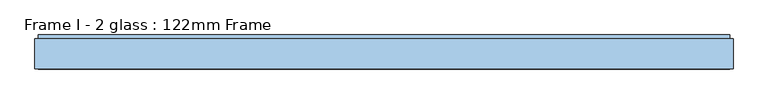
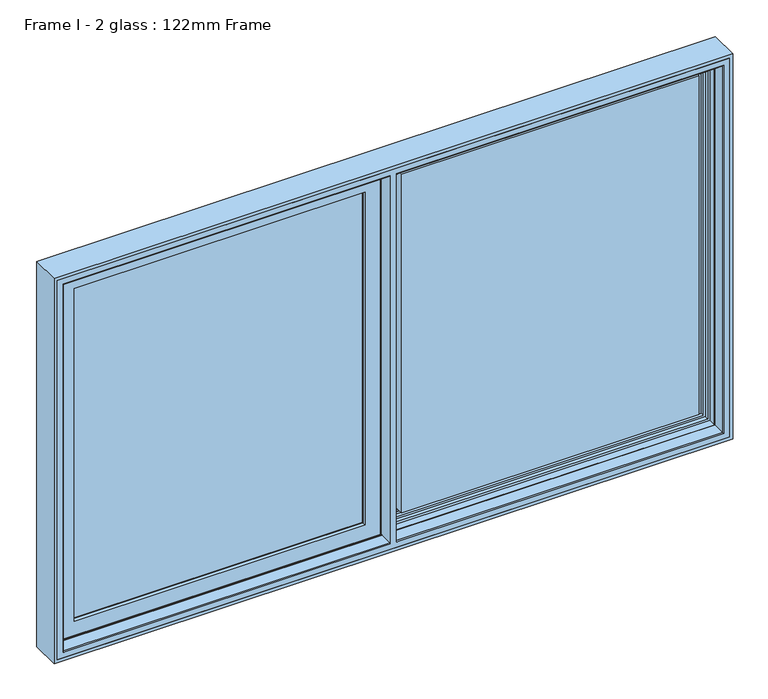
"""IFC4 building model written with IfcOpenShell, lengths in millimetres: window geometry, Frame I - 2 glass : 122mm Frame."""

from ifc_helpers import new_model, si_unit, frame, origin, place, context, project, spatial, polyline, circle_curve, ellipse_curve, outline, extrude, source, transform, mapped, element, save
from ifc_brep_helpers import plane_surface, cylinder_surface, revolved_surface, advanced_brep


def frame_i_2_glass_122mm_frame_8e504b90(model_context):
    return source(origin(), model_context, "Body", "SolidModel", [
        extrude(outline(polyline([(-1160.0, 141.0), (-65.6, 141.0), (-65.6, 93.0), (-1160.0, 93.0), (-1160.0, 141.0)])), frame((0.0, 0.0, 890.0), z_axis=(0.0, 0.0, 1.0), x_axis=(1.0, 0.0, 0.0)), (0.0, 0.0, 1.0), 1320.0),
        advanced_brep(
        [(-43.2001533, 153.0, 2232.3998467), (-43.2001533, 148.4070391, 2232.3998467), (-43.2001533, 148.4070391, 867.6001533), (-43.2001533, 153.0, 867.6001533), (-37.9260611, 139.5531262, 2237.6739389), (-37.9260611, 139.5531262, 862.3260611), (-1182.3998467, 148.4070391, 867.6001533), (-1182.3998467, 153.0, 867.6001533), (-1182.3998467, 153.0, 2232.3998467), (-62.6368924, 153.0, 2212.9631076), (-1162.9631076, 153.0, 2212.9631076), (-1162.9631076, 153.0, 887.0368924), (-62.6368924, 153.0, 887.0368924), (-36.0866045, 139.5531262, 860.4866045), (-1189.5133955, 139.5531262, 860.4866045), (-1189.5133955, 139.5531262, 2239.5133955), (-36.0866045, 139.5531262, 2239.5133955), (-1187.6739389, 139.5531262, 2237.6739389), (-1187.6739389, 139.5531262, 862.3260611), (-36.0866045, 121.0, 2239.5133955), (-36.0866045, 121.0, 860.4866045), (-26.0866045, 121.0, 850.4866045), (-1199.5133955, 121.0, 850.4866045), (-1199.5133955, 121.0, 2249.5133955), (-26.0866045, 121.0, 2249.5133955), (-1189.5133955, 121.0, 2239.5133955), (-1189.5133955, 121.0, 860.4866045), (-26.0866045, 88.5, 2249.5133955), (-26.0866045, 88.5, 850.4866045), (-15.3023, 88.5, 839.7023001), (-1210.2977, 88.5, 839.7023001), (-1210.2977, 88.5, 2260.2977), (-15.3023, 88.5, 2260.2977), (-1199.5133955, 88.5, 2249.5133955), (-1199.5133955, 88.5, 850.4866045), (-15.3023, 83.5, 2260.2977), (-15.3023, 83.5, 839.7023001), (-1210.2977, 83.5, 2260.2977), (-1210.2977, 83.5, 839.7023001), (-22.1, 83.5, 846.5), (-1203.5, 83.5, 846.5), (-1203.5, 83.5, 2253.5), (-22.1, 83.5, 2253.5), (-22.1, 78.0, 2253.5), (-22.1, 78.0, 846.5), (-1203.5, 78.0, 2253.5), (-1203.5, 78.0, 846.5), (-77.2842184, 78.0, 901.6842184), (-1148.3157816, 78.0, 901.6842184), (-1148.3157816, 78.0, 2198.3157816), (-77.2842184, 78.0, 2198.3157816), (-79.5996933, 88.8934531, 2196.0003067), (-79.5996933, 88.8934531, 903.9996933), (-79.5996933, 93.0, 2196.0003067), (-79.5996933, 93.0, 903.9996933), (-1146.0003067, 88.8934531, 903.9996933), (-65.6, 93.0, 890.0), (-1160.0, 93.0, 890.0), (-1160.0, 93.0, 2210.0), (-65.6, 93.0, 2210.0), (-1146.0003067, 93.0, 2196.0003067), (-1146.0003067, 93.0, 903.9996933), (-65.6, 141.0, 2210.0), (-65.6, 141.0, 890.0), (-1160.0, 141.0, 2210.0), (-1160.0, 141.0, 890.0), (-80.0121514, 141.0, 904.4121514), (-1145.5878486, 141.0, 904.4121514), (-1145.5878486, 141.0, 2195.5878486), (-80.0121514, 141.0, 2195.5878486), (-76.3433832, 153.0, 2199.2566168), (-76.3433832, 153.0, 900.7433832), (-69.5650956, 153.0, 893.9650956), (-1156.0349044, 153.0, 893.9650956), (-1156.0349044, 153.0, 2206.0349044), (-69.5650956, 153.0, 2206.0349044), (-1149.2566168, 153.0, 2199.2566168), (-1149.2566168, 153.0, 900.7433832), (-68.2660575, 152.25, 2207.3339425), (-68.2660575, 152.25, 892.6660575), (-63.9359305, 152.25, 2211.6640695), (-63.9359305, 152.25, 888.3359305), (-1157.3339425, 152.25, 892.6660575), (-1161.6640695, 152.25, 888.3359305), (-1182.3998467, 148.4070391, 2232.3998467), (-1146.0003067, 88.8934531, 2196.0003067), (-1157.3339425, 152.25, 2207.3339425), (-1161.6640695, 152.25, 2211.6640695)],
        [
            (0, 1),
            (1, 2),
            (2, 3),
            (3, 0),
            (1, 4),
            (4, 5),
            (5, 2),
            (2, 6),
            (6, 7),
            (7, 3),
            (7, 8),
            (8, 0),
            (9, 10),
            (10, 11),
            (11, 12),
            (12, 9),
            (13, 14),
            (14, 15),
            (15, 16),
            (16, 13),
            (4, 17),
            (17, 18),
            (18, 5),
            (18, 6),
            (16, 19),
            (19, 20),
            (20, 13),
            (21, 22),
            (22, 23),
            (23, 24),
            (24, 21),
            (19, 25),
            (25, 26),
            (26, 20),
            (26, 14),
            (24, 27),
            (27, 28),
            (28, 21),
            (29, 30),
            (30, 31),
            (31, 32),
            (32, 29),
            (27, 33),
            (33, 34),
            (34, 28),
            (34, 22),
            (32, 35),
            (35, 36),
            (36, 29),
            (35, 37),
            (37, 38),
            (38, 36),
            (39, 40),
            (40, 41),
            (41, 42),
            (42, 39),
            (38, 30),
            (42, 43),
            (43, 44),
            (44, 39),
            (43, 45),
            (45, 46),
            (46, 44),
            (47, 48),
            (48, 49),
            (49, 50),
            (50, 47),
            (46, 40),
            (50, 51),
            (51, 52),
            (52, 47),
            (51, 53),
            (53, 54),
            (54, 52),
            (52, 55),
            (55, 48),
            (56, 57),
            (57, 58),
            (58, 59),
            (59, 56),
            (53, 60),
            (60, 61),
            (61, 54),
            (61, 55),
            (59, 62),
            (62, 63),
            (63, 56),
            (62, 64),
            (64, 65),
            (65, 63),
            (66, 67),
            (67, 68),
            (68, 69),
            (69, 66),
            (65, 57),
            (69, 70),
            (70, 71),
            (71, 66),
            (72, 73),
            (73, 74),
            (74, 75),
            (75, 72),
            (70, 76),
            (76, 77),
            (77, 71),
            (77, 67),
            (75, 78, ellipse_curve(frame((-69.5650956, 151.5, 2206.0349044), z_axis=(0.7071067811865474, 0.0, -0.7071067811865476), x_axis=(0.7071067811865475, 0.0, 0.7071067811865476)), 2.1213203, 1.5)),
            (78, 79),
            (79, 72, ellipse_curve(frame((-69.5650956, 151.5, 893.9650956), z_axis=(0.7071067811865475, 0.0, 0.7071067811865475), x_axis=(-0.7071067811865475, 0.0, 0.7071067811865476)), 2.1213203, 1.5)),
            (78, 80, ellipse_curve(frame((-66.100994, 153.5, 2209.499006), z_axis=(-0.7071067811865474, 0.0, 0.7071067811865476), x_axis=(-0.7071067811865475, 0.0, -0.7071067811865476)), 3.5355339, 2.5)),
            (80, 81),
            (81, 79, ellipse_curve(frame((-66.100994, 153.5, 890.500994), z_axis=(-0.7071067811865475, 0.0, -0.7071067811865475), x_axis=(0.7071067811865475, 0.0, -0.7071067811865476)), 3.5355339, 2.5)),
            (79, 82),
            (82, 73, ellipse_curve(frame((-1156.0349044, 151.5, 893.9650956), z_axis=(0.7071067811865475, 0.0, -0.7071067811865476), x_axis=(0.7071067811865477, 0.0, 0.7071067811865474)), 2.1213203, 1.5)),
            (80, 9, ellipse_curve(frame((-62.6368924, 151.5, 2212.9631076), z_axis=(0.7071067811865474, 0.0, -0.7071067811865476), x_axis=(0.7071067811865475, 0.0, 0.7071067811865476)), 2.1213203, 1.5)),
            (12, 81, ellipse_curve(frame((-62.6368924, 151.5, 887.0368924), z_axis=(0.7071067811865475, 0.0, 0.7071067811865475), x_axis=(-0.7071067811865475, 0.0, 0.7071067811865476)), 2.1213203, 1.5)),
            (81, 83),
            (83, 82, ellipse_curve(frame((-1159.499006, 153.5, 890.500994), z_axis=(-0.7071067811865475, 0.0, 0.7071067811865476), x_axis=(-0.7071067811865477, 0.0, -0.7071067811865474)), 3.5355339, 2.5)),
            (11, 83, ellipse_curve(frame((-1162.9631076, 151.5, 887.0368924), z_axis=(0.7071067811865475, 0.0, -0.7071067811865476), x_axis=(0.7071067811865477, 0.0, 0.7071067811865474)), 2.1213203, 1.5)),
            (6, 84),
            (84, 8),
            (17, 84),
            (25, 15),
            (33, 23),
            (37, 31),
            (45, 41),
            (55, 85),
            (85, 49),
            (60, 85),
            (64, 58),
            (76, 68),
            (82, 86),
            (86, 74, ellipse_curve(frame((-1156.0349044, 151.5, 2206.0349044), z_axis=(-0.7071067811865476, 0.0, -0.7071067811865474), x_axis=(0.7071067811865472, 0.0, -0.7071067811865477)), 2.1213203, 1.5)),
            (83, 87),
            (87, 86, ellipse_curve(frame((-1159.499006, 153.5, 2209.499006), z_axis=(0.7071067811865476, 0.0, 0.7071067811865474), x_axis=(-0.7071067811865472, 0.0, 0.7071067811865477)), 3.5355339, 2.5)),
            (10, 87, ellipse_curve(frame((-1162.9631076, 151.5, 2212.9631076), z_axis=(-0.7071067811865476, 0.0, -0.7071067811865474), x_axis=(0.7071067811865472, 0.0, -0.7071067811865477)), 2.1213203, 1.5)),
            (84, 1),
            (85, 51),
            (86, 78),
            (87, 80),
        ],
        [
            plane_surface(frame((-43.2001533, 148.4070391, 2232.3998467), z_axis=(1.0, 0.0, 0.0), x_axis=(0.0, 0.0, -1.0))),
            plane_surface(frame((-37.9260611, 139.5531262, 2237.6739389), z_axis=(0.8591262587254928, 0.5117636872310675, 0.0), x_axis=(0.0, 0.0, -1.0))),
            plane_surface(frame((-43.2001533, 148.4070391, 867.6001533), z_axis=(0.0, 0.0, -1.0), x_axis=(-1.0, 0.0, 0.0))),
            plane_surface(frame((-1182.3998467, 153.0, 2232.3998467), z_axis=(0.0, 1.0, 0.0), x_axis=(1.0, 0.0, 0.0))),
            plane_surface(frame((-1189.5133955, 139.5531262, 2239.5133955), z_axis=(0.0, 1.0, 0.0), x_axis=(1.0, 0.0, 0.0))),
            plane_surface(frame((-37.9260611, 139.5531262, 862.3260611), z_axis=(0.0, 0.5117636872310674, -0.8591262587254928), x_axis=(-1.0, 0.0, 0.0))),
            plane_surface(frame((-36.0866045, 121.0, 2239.5133955), z_axis=(1.0, 0.0, 0.0), x_axis=(0.0, 0.0, -1.0))),
            plane_surface(frame((-1199.5133955, 121.0, 2249.5133955), z_axis=(0.0, 1.0, 0.0), x_axis=(1.0, 0.0, 0.0))),
            plane_surface(frame((-36.0866045, 121.0, 860.4866045), z_axis=(0.0, 0.0, -1.0), x_axis=(-1.0, 0.0, 0.0))),
            plane_surface(frame((-26.0866045, 88.5, 2249.5133955), z_axis=(1.0, 0.0, 0.0), x_axis=(0.0, 0.0, -1.0))),
            plane_surface(frame((-1210.2977, 88.5, 2260.2977), z_axis=(0.0, 1.0, 0.0), x_axis=(1.0, 0.0, 0.0))),
            plane_surface(frame((-26.0866045, 88.5, 850.4866045), z_axis=(0.0, 0.0, -1.0), x_axis=(-1.0, 0.0, 0.0))),
            plane_surface(frame((-15.3023, 83.5, 2260.2977), z_axis=(1.0, 0.0, 0.0), x_axis=(0.0, 0.0, -1.0))),
            plane_surface(frame((-1203.5, 83.5, 2253.5), z_axis=(0.0, -1.0, 0.0), x_axis=(1.0, 0.0, 0.0))),
            plane_surface(frame((-15.3023, 83.5, 839.7023001), z_axis=(0.0, 0.0, -1.0), x_axis=(-1.0, 0.0, 0.0))),
            plane_surface(frame((-22.1, 78.0, 2253.5), z_axis=(1.0, 0.0, 0.0), x_axis=(0.0, 0.0, -1.0))),
            plane_surface(frame((-1148.3157816, 78.0, 2198.3157816), z_axis=(0.0, -1.0, 0.0), x_axis=(1.0, 0.0, 0.0))),
            plane_surface(frame((-22.1, 78.0, 846.5), z_axis=(0.0, 0.0, -1.0), x_axis=(-1.0, 0.0, 0.0))),
            plane_surface(frame((-79.5996933, 88.8934531, 2196.0003067), z_axis=(-0.9781476007338059, -0.20791169081775832, 0.0), x_axis=(0.0, 0.0, -1.0))),
            plane_surface(frame((-79.5996933, 93.0, 2196.0003067), z_axis=(-1.0, 0.0, 0.0), x_axis=(0.0, 0.0, -1.0))),
            plane_surface(frame((-79.5996933, 88.8934531, 903.9996933), z_axis=(0.0, -0.2079116908177583, 0.9781476007338059), x_axis=(-1.0, 0.0, 0.0))),
            plane_surface(frame((-1160.0, 93.0, 2210.0), z_axis=(0.0, 1.0, 0.0), x_axis=(1.0, 0.0, 0.0))),
            plane_surface(frame((-79.5996933, 93.0, 903.9996933), z_axis=(0.0, 0.0, 1.0), x_axis=(-1.0, 0.0, 0.0))),
            plane_surface(frame((-65.6, 141.0, 2210.0), z_axis=(-1.0, 0.0, 0.0), x_axis=(0.0, 0.0, -1.0))),
            plane_surface(frame((-1145.5878486, 141.0, 2195.5878486), z_axis=(0.0, -1.0, 0.0), x_axis=(1.0, 0.0, 0.0))),
            plane_surface(frame((-65.6, 141.0, 890.0), z_axis=(0.0, 0.0, 1.0), x_axis=(-1.0, 0.0, 0.0))),
            plane_surface(frame((-76.3433832, 153.0, 2199.2566168), z_axis=(-0.9563047559629768, 0.2923717047229288, 0.0), x_axis=(0.0, 0.0, -1.0))),
            plane_surface(frame((-1156.0349044, 153.0, 2206.0349044), z_axis=(0.0, 1.0, 0.0), x_axis=(1.0, 0.0, 0.0))),
            plane_surface(frame((-76.3433832, 153.0, 900.7433832), z_axis=(0.0, 0.2923717047229287, 0.9563047559629768), x_axis=(-1.0, 0.0, 0.0))),
            cylinder_surface(frame((-69.5650956, 151.5, 2237.6), z_axis=(0.0, 0.0, 1.0), x_axis=(0.0, 1.0, 0.0)), 1.5),
            revolved_surface(polyline([(-66.100994, 156.0, 888.000994004195), (-66.100994, 156.0, 2211.999005995805)]), (-66.100994, 153.5, 2237.6), (0.0, 0.0, -1.0)),
            cylinder_surface(frame((-38.0, 151.5, 893.9650956), z_axis=(1.0, 0.0, 0.0), x_axis=(0.0, 1.0, 0.0)), 1.5),
            cylinder_surface(frame((-62.6368924, 151.5, 2237.6), z_axis=(0.0, 0.0, 1.0), x_axis=(0.0, 1.0, 0.0)), 1.5),
            revolved_surface(polyline([(-1161.999005995805, 156.0, 890.500994), (-63.60099400419508, 156.0, 890.500994)]), (-38.0, 153.5, 890.500994), (-1.0, 0.0, 0.0)),
            cylinder_surface(frame((-38.0, 151.5, 887.0368924), z_axis=(1.0, 0.0, 0.0), x_axis=(0.0, 1.0, 0.0)), 1.5),
            plane_surface(frame((-1182.3998467, 148.4070391, 867.6001533), z_axis=(-1.0, 0.0, 0.0), x_axis=(0.0, 0.0, 1.0))),
            plane_surface(frame((-1187.6739389, 139.5531262, 862.3260611), z_axis=(-0.8591262587254928, 0.5117636872310675, 0.0), x_axis=(0.0, 0.0, 1.0))),
            plane_surface(frame((-1189.5133955, 121.0, 860.4866045), z_axis=(-1.0, 0.0, 0.0), x_axis=(0.0, 0.0, 1.0))),
            plane_surface(frame((-1199.5133955, 88.5, 850.4866045), z_axis=(-1.0, 0.0, 0.0), x_axis=(0.0, 0.0, 1.0))),
            plane_surface(frame((-1210.2977, 83.5, 839.7023001), z_axis=(-1.0, 0.0, 0.0), x_axis=(0.0, 0.0, 1.0))),
            plane_surface(frame((-1203.5, 78.0, 846.5), z_axis=(-1.0, 0.0, 0.0), x_axis=(0.0, 0.0, 1.0))),
            plane_surface(frame((-1146.0003067, 88.8934531, 903.9996933), z_axis=(0.9781476007338059, -0.20791169081775834, 0.0), x_axis=(0.0, 0.0, 1.0))),
            plane_surface(frame((-1146.0003067, 93.0, 903.9996933), z_axis=(1.0, 0.0, 0.0), x_axis=(0.0, 0.0, 1.0))),
            plane_surface(frame((-1160.0, 141.0, 890.0), z_axis=(1.0, 0.0, 0.0), x_axis=(0.0, 0.0, 1.0))),
            plane_surface(frame((-1149.2566168, 153.0, 900.7433832), z_axis=(0.9563047559629768, 0.2923717047229288, 0.0), x_axis=(0.0, 0.0, 1.0))),
            cylinder_surface(frame((-1156.0349044, 151.5, 862.4), z_axis=(0.0, 0.0, -1.0), x_axis=(0.0, 1.0, 0.0)), 1.5),
            revolved_surface(polyline([(-1159.499006, 156.0, 2211.999005995805), (-1159.499006, 156.0, 888.000994004195)]), (-1159.499006, 153.5, 862.4), (0.0, 0.0, 1.0)),
            cylinder_surface(frame((-1162.9631076, 151.5, 862.4), z_axis=(0.0, 0.0, -1.0), x_axis=(0.0, 1.0, 0.0)), 1.5),
            plane_surface(frame((-1182.3998467, 148.4070391, 2232.3998467), z_axis=(0.0, 0.0, 1.0), x_axis=(1.0, 0.0, 0.0))),
            plane_surface(frame((-1187.6739389, 139.5531262, 2237.6739389), z_axis=(0.0, 0.5117636872310675, 0.8591262587254928), x_axis=(1.0, 0.0, 0.0))),
            plane_surface(frame((-1189.5133955, 121.0, 2239.5133955), z_axis=(0.0, 0.0, 1.0), x_axis=(1.0, 0.0, 0.0))),
            plane_surface(frame((-1199.5133955, 88.5, 2249.5133955), z_axis=(0.0, 0.0, 1.0), x_axis=(1.0, 0.0, 0.0))),
            plane_surface(frame((-1210.2977, 83.5, 2260.2977), z_axis=(0.0, 0.0, 1.0), x_axis=(1.0, 0.0, 0.0))),
            plane_surface(frame((-1203.5, 78.0, 2253.5), z_axis=(0.0, 0.0, 1.0), x_axis=(1.0, 0.0, 0.0))),
            plane_surface(frame((-1146.0003067, 88.8934531, 2196.0003067), z_axis=(0.0, -0.20791169081775834, -0.9781476007338059), x_axis=(1.0, 0.0, 0.0))),
            plane_surface(frame((-1146.0003067, 93.0, 2196.0003067), z_axis=(0.0, 0.0, -1.0), x_axis=(1.0, 0.0, 0.0))),
            plane_surface(frame((-1160.0, 141.0, 2210.0), z_axis=(0.0, 0.0, -1.0), x_axis=(1.0, 0.0, 0.0))),
            plane_surface(frame((-1149.2566168, 153.0, 2199.2566168), z_axis=(0.0, 0.2923717047229288, -0.9563047559629768), x_axis=(1.0, 0.0, 0.0))),
            cylinder_surface(frame((-1187.6, 151.5, 2206.0349044), z_axis=(-1.0, 0.0, 0.0), x_axis=(0.0, 1.0, 0.0)), 1.5),
            revolved_surface(polyline([(-63.600994004194945, 156.0, 2209.499006), (-1161.999005995805, 156.0, 2209.499006)]), (-1187.6, 153.5, 2209.499006), (1.0, 0.0, 0.0)),
            cylinder_surface(frame((-1187.6, 151.5, 2212.9631076), z_axis=(-1.0, 0.0, 0.0), x_axis=(0.0, 1.0, 0.0)), 1.5),
        ],
        [
            (0, [[1, 2, 3, 4]]),
            (1, [[5, 6, 7, -2]]),
            (2, [[-3, 8, 9, 10]]),
            (3, [[-10, 11, 12, -4], [13, 14, 15, 16]]),
            (4, [[17, 18, 19, 20], [21, 22, 23, -6]]),
            (5, [[-7, -23, 24, -8]]),
            (6, [[25, 26, 27, -20]]),
            (7, [[28, 29, 30, 31], [32, 33, 34, -26]]),
            (8, [[-27, -34, 35, -17]]),
            (9, [[36, 37, 38, -31]]),
            (10, [[39, 40, 41, 42], [43, 44, 45, -37]]),
            (11, [[-38, -45, 46, -28]]),
            (12, [[47, 48, 49, -42]]),
            (13, [[50, 51, 52, -48], [53, 54, 55, 56]]),
            (14, [[-49, -52, 57, -39]]),
            (15, [[58, 59, 60, -56]]),
            (16, [[61, 62, 63, -59], [64, 65, 66, 67]]),
            (17, [[-60, -63, 68, -53]]),
            (18, [[69, 70, 71, -67]]),
            (19, [[72, 73, 74, -70]]),
            (20, [[-71, 75, 76, -64]]),
            (21, [[77, 78, 79, 80], [81, 82, 83, -73]]),
            (22, [[-74, -83, 84, -75]]),
            (23, [[85, 86, 87, -80]]),
            (24, [[88, 89, 90, -86], [91, 92, 93, 94]]),
            (25, [[-87, -90, 95, -77]]),
            (26, [[96, 97, 98, -94]]),
            (27, [[99, 100, 101, 102], [103, 104, 105, -97]]),
            (28, [[-98, -105, 106, -91]]),
            (29, [[107, 108, 109, -102]]),
            (30, [[110, 111, 112, -108]]),
            (31, [[-109, 113, 114, -99]]),
            (32, [[115, -16, 116, -111]]),
            (33, [[-112, 117, 118, -113]]),
            (34, [[-116, -15, 119, -117]]),
            (35, [[-9, 120, 121, -11]]),
            (36, [[-24, -22, 122, -120]]),
            (37, [[-35, -33, 123, -18]]),
            (38, [[-46, -44, 124, -29]]),
            (39, [[-57, -51, 125, -40]]),
            (40, [[-68, -62, 126, -54]]),
            (41, [[-76, 127, 128, -65]]),
            (42, [[-84, -82, 129, -127]]),
            (43, [[-95, -89, 130, -78]]),
            (44, [[-106, -104, 131, -92]]),
            (45, [[-114, 132, 133, -100]]),
            (46, [[-118, 134, 135, -132]]),
            (47, [[-119, -14, 136, -134]]),
            (48, [[-121, 137, -1, -12]]),
            (49, [[-122, -21, -5, -137]]),
            (50, [[-123, -32, -25, -19]]),
            (51, [[-124, -43, -36, -30]]),
            (52, [[-125, -50, -47, -41]]),
            (53, [[-126, -61, -58, -55]]),
            (54, [[-128, 138, -69, -66]]),
            (55, [[-129, -81, -72, -138]]),
            (56, [[-130, -88, -85, -79]]),
            (57, [[-131, -103, -96, -93]]),
            (58, [[-133, 139, -107, -101]]),
            (59, [[-135, 140, -110, -139]]),
            (60, [[-136, -13, -115, -140]]),
        ],
    ),
        advanced_brep(
        [(-1214.0, 83.0, 2264.0), (-1214.0, 35.0, 2264.0), (-1214.0, 35.0, 836.0), (-1214.0, 83.0, 836.0), (-1217.0, 32.0, 2267.0), (-1217.0, 32.0, 833.0), (-12.0, 35.0, 836.0), (-12.0, 83.0, 836.0), (1214.0, 35.0, 836.0), (1214.0, 83.0, 836.0), (12.0, 83.0, 836.0), (12.0, 35.0, 836.0), (-12.0, 83.0, 838.0), (-1212.0, 83.0, 838.0), (-1212.0, 83.0, 2262.0), (-12.0, 83.0, 2262.0), (-12.0, 83.0, 2264.0), (1214.0, 83.0, 2264.0), (12.0, 83.0, 2264.0), (12.0, 83.0, 2262.0), (1212.0, 83.0, 2262.0), (1212.0, 83.0, 838.0), (12.0, 83.0, 838.0), (-1212.0, 111.4, 2262.0), (-1212.0, 111.4, 838.0), (-12.0, 91.0, 838.0), (-20.2, 91.0, 838.0), (-17.695195, 111.4, 838.0), (1212.0, 111.4, 838.0), (17.695195, 111.4, 838.0), (20.2, 91.0, 838.0), (12.0, 91.0, 838.0), (-17.695195, 111.4, 846.0999998), (-1203.9000002, 111.4, 846.0999998), (-1203.9000002, 111.4, 2253.9000002), (-17.695195, 111.4, 2253.9000002), (-17.695195, 111.4, 2262.0), (1212.0, 111.4, 2262.0), (17.695195, 111.4, 2262.0), (17.695195, 111.4, 2253.9000002), (1203.9000002, 111.4, 2253.9000002), (1203.9000002, 111.4, 846.0999998), (17.695195, 111.4, 846.0999998), (-1203.9000002, 126.0, 2253.9000002), (-1203.9000002, 126.0, 846.0999998), (-15.9025404, 126.0, 846.0999998), (1203.9000002, 126.0, 846.0999998), (15.9025404, 126.0, 846.0999998), (-15.9025404, 126.0, 853.2798057), (-1196.7201943, 126.0, 853.2798057), (-1196.7201943, 126.0, 2246.7201943), (-15.9025404, 126.0, 2246.7201943), (-15.9025404, 126.0, 2253.9000002), (1203.9000002, 126.0, 2253.9000002), (15.9025404, 126.0, 2253.9000002), (15.9025404, 126.0, 2246.7201943), (1196.7201943, 126.0, 2246.7201943), (1196.7201943, 126.0, 853.2798057), (15.9025404, 126.0, 853.2798057), (-1196.7201943, 140.2372876, 2246.7201943), (-1196.7201943, 140.2372876, 853.2798057), (-14.1544213, 140.2372876, 853.2798057), (1196.7201943, 140.2372876, 853.2798057), (14.1544213, 140.2372876, 853.2798057), (-14.1544213, 140.2372876, 861.9868914), (-1188.0131086, 140.2372876, 861.9868914), (-1188.0131086, 140.2372876, 2238.0131086), (-14.1544213, 140.2372876, 2238.0131086), (-14.1544213, 140.2372876, 2246.7201943), (1196.7201943, 140.2372876, 2246.7201943), (14.1544213, 140.2372876, 2246.7201943), (14.1544213, 140.2372876, 2238.0131086), (1188.0131086, 140.2372876, 2238.0131086), (1188.0131086, 140.2372876, 861.9868914), (14.1544213, 140.2372876, 861.9868914), (-1188.0131086, 143.3877115, 2238.0131086), (-1188.0131086, 143.3877115, 861.9868914), (-13.9379874, 142.0, 861.9868914), (-38.4111574, 142.0, 861.9868914), (-37.9868914, 143.3877115, 861.9868914), (1188.0131086, 143.3877115, 861.9868914), (37.9868914, 143.3877115, 861.9868914), (38.4111574, 142.0, 861.9868914), (13.9379874, 142.0, 861.9868914), (-1191.2576108, 154.0, 858.7423892), (-1191.2576108, 154.0, 2241.2576108), (-34.7423892, 154.0, 858.7423892), (1191.2576108, 154.0, 858.7423892), (34.7423892, 154.0, 858.7423892), (1238.0, 154.0, 812.0), (-1238.0, 154.0, 812.0), (-1238.0, 154.0, 2288.0), (1238.0, 154.0, 2288.0), (-34.7423892, 154.0, 2241.2576108), (1191.2576108, 154.0, 2241.2576108), (34.7423892, 154.0, 2241.2576108), (-1238.0, 90.5, 2288.0), (-1238.0, 90.5, 812.0), (1238.0, 90.5, 812.0), (12.0, 90.5, 812.0), (12.0, 86.5, 812.0), (1238.0, 86.5, 812.0), (1238.0, 32.0, 812.0), (-1238.0, 32.0, 812.0), (-1238.0, 86.5, 812.0), (-12.0, 86.5, 812.0), (-12.0, 90.5, 812.0), (-12.0, 90.5, 819.0), (-1231.0, 90.5, 819.0), (-1231.0, 90.5, 2281.0), (-12.0, 90.5, 2281.0), (-12.0, 90.5, 2288.0), (1238.0, 90.5, 2288.0), (12.0, 90.5, 2288.0), (12.0, 90.5, 2281.0), (1231.0, 90.5, 2281.0), (1231.0, 90.5, 819.0), (12.0, 90.5, 819.0), (-12.0, 32.0, 833.0), (1217.0, 32.0, 833.0), (12.0, 32.0, 833.0), (-12.0, 86.5, 819.0), (-12.0, 32.0, 2267.0), (-12.0, 35.0, 2264.0), (-12.0, 91.0, 2262.0), (-12.0, 86.5, 2288.0), (-12.0, 86.5, 2281.0), (1214.0, 35.0, 2264.0), (12.0, 86.5, 819.0), (12.0, 32.0, 2267.0), (12.0, 91.0, 2262.0), (12.0, 35.0, 2264.0), (12.0, 86.5, 2288.0), (12.0, 86.5, 2281.0), (-20.2, 91.0, 2262.0), (-13.9379874, 142.0, 2238.0131086), (20.2, 91.0, 2262.0), (13.9379874, 142.0, 2238.0131086), (-38.4111574, 142.0, 2238.0131086), (-37.9868914, 143.3877115, 2238.0131086), (1188.0131086, 143.3877115, 2238.0131086), (37.9868914, 143.3877115, 2238.0131086), (38.4111574, 142.0, 2238.0131086), (-1231.0, 86.5, 2281.0), (-1231.0, 86.5, 819.0), (-1238.0, 86.5, 2288.0), (1231.0, 86.5, 819.0), (1231.0, 86.5, 2281.0), (1238.0, 86.5, 2288.0), (1238.0, 32.0, 2288.0), (-1238.0, 32.0, 2288.0), (1217.0, 32.0, 2267.0)],
        [
            (0, 1),
            (1, 2),
            (2, 3),
            (3, 0),
            (1, 4, ellipse_curve(frame((-1217.0, 35.0, 2267.0), z_axis=(-0.7071067811865475, 0.0, -0.7071067811865475), x_axis=(-0.7071067811865474, 0.0, 0.7071067811865476)), 4.2426407, 3.0)),
            (4, 5),
            (5, 2, ellipse_curve(frame((-1217.0, 35.0, 833.0), z_axis=(-0.7071067811865475, 0.0, 0.7071067811865475), x_axis=(0.7071067811865474, 0.0, 0.7071067811865476)), 4.2426407, 3.0)),
            (2, 6),
            (6, 7),
            (7, 3),
            (8, 9),
            (9, 10),
            (10, 11),
            (11, 8),
            (7, 12),
            (12, 13),
            (13, 14),
            (14, 15),
            (15, 16),
            (16, 0),
            (9, 17),
            (17, 18),
            (18, 19),
            (19, 20),
            (20, 21),
            (21, 22),
            (22, 10),
            (23, 14),
            (13, 24),
            (24, 23),
            (12, 25),
            (25, 26),
            (26, 27),
            (27, 24),
            (21, 28),
            (28, 29),
            (29, 30),
            (30, 31),
            (31, 22),
            (27, 32),
            (32, 33),
            (33, 34),
            (34, 35),
            (35, 36),
            (36, 23),
            (28, 37),
            (37, 38),
            (38, 39),
            (39, 40),
            (40, 41),
            (41, 42),
            (42, 29),
            (43, 34),
            (33, 44),
            (44, 43),
            (32, 45),
            (45, 44),
            (41, 46),
            (46, 47),
            (47, 42),
            (45, 48),
            (48, 49),
            (49, 50),
            (50, 51),
            (51, 52),
            (52, 43),
            (46, 53),
            (53, 54),
            (54, 55),
            (55, 56),
            (56, 57),
            (57, 58),
            (58, 47),
            (59, 50),
            (49, 60),
            (60, 59),
            (48, 61),
            (61, 60),
            (57, 62),
            (62, 63),
            (63, 58),
            (61, 64),
            (64, 65),
            (65, 66),
            (66, 67),
            (67, 68),
            (68, 59),
            (62, 69),
            (69, 70),
            (70, 71),
            (71, 72),
            (72, 73),
            (73, 74),
            (74, 63),
            (75, 66),
            (65, 76),
            (76, 75),
            (64, 77),
            (77, 78),
            (78, 79),
            (79, 76),
            (73, 80),
            (80, 81),
            (81, 82),
            (82, 83),
            (83, 74),
            (76, 84),
            (84, 85),
            (85, 75),
            (79, 86),
            (86, 84),
            (80, 87),
            (87, 88),
            (88, 81),
            (89, 90),
            (90, 91),
            (91, 92),
            (92, 89),
            (86, 93),
            (93, 85),
            (94, 95),
            (95, 88),
            (87, 94),
            (96, 91),
            (90, 97),
            (97, 96),
            (89, 98),
            (98, 99),
            (99, 100),
            (100, 101),
            (101, 102),
            (102, 103),
            (103, 104),
            (104, 105),
            (105, 106),
            (106, 97),
            (106, 107),
            (107, 108),
            (108, 109),
            (109, 110),
            (110, 111),
            (111, 96),
            (98, 112),
            (112, 113),
            (113, 114),
            (114, 115),
            (115, 116),
            (116, 117),
            (117, 99),
            (5, 118),
            (118, 6, circle_curve(frame((-12.0, 35.0, 833.0), z_axis=(-1.0, 0.0, 0.0), x_axis=(0.0, 1.0, 0.0)), 3.0)),
            (119, 8, ellipse_curve(frame((1217.0, 35.0, 833.0), z_axis=(-0.7071067811865475, 0.0, -0.7071067811865475), x_axis=(-0.7071067811865476, 0.0, 0.7071067811865474)), 4.2426407, 3.0)),
            (11, 120, circle_curve(frame((12.0, 35.0, 833.0), z_axis=(1.0, 0.0, 0.0), x_axis=(0.0, 1.0, 0.0)), 3.0)),
            (120, 119),
            (105, 121),
            (121, 107),
            (118, 122),
            (122, 123, circle_curve(frame((-12.0, 35.0, 2267.0), z_axis=(1.0, 0.0, 0.0), x_axis=(0.0, 1.0, 0.0)), 3.0)),
            (123, 16),
            (15, 124),
            (124, 25),
            (125, 111),
            (110, 126),
            (126, 125),
            (8, 127),
            (127, 17),
            (117, 128),
            (128, 100),
            (129, 120),
            (31, 130),
            (130, 19),
            (18, 131),
            (131, 129, circle_curve(frame((12.0, 35.0, 2267.0), z_axis=(-1.0, 0.0, 0.0), x_axis=(0.0, 1.0, 0.0)), 3.0)),
            (113, 132),
            (132, 133),
            (133, 114),
            (134, 26),
            (124, 134),
            (135, 77),
            (134, 36),
            (35, 52),
            (51, 68),
            (67, 135),
            (20, 37),
            (136, 30),
            (83, 137),
            (137, 71),
            (70, 55),
            (54, 39),
            (38, 136),
            (136, 130),
            (40, 53),
            (56, 69),
            (138, 78),
            (135, 138),
            (138, 139),
            (139, 93),
            (72, 140),
            (140, 80),
            (95, 141),
            (141, 142),
            (142, 82),
            (142, 137),
            (140, 94),
            (92, 112),
            (143, 144),
            (144, 121),
            (104, 145),
            (145, 125),
            (126, 143),
            (146, 147),
            (147, 133),
            (132, 148),
            (148, 101),
            (128, 146),
            (149, 102),
            (148, 149),
            (149, 150),
            (150, 103),
            (4, 122),
            (129, 151),
            (151, 119),
            (150, 145),
            (151, 127, ellipse_curve(frame((1217.0, 35.0, 2267.0), z_axis=(0.7071067811865475, 0.0, -0.7071067811865475), x_axis=(-0.7071067811865474, 0.0, -0.7071067811865476)), 4.2426407, 3.0)),
            (143, 109),
            (108, 144),
            (116, 146),
            (115, 147),
            (123, 1),
            (127, 131),
            (75, 139),
            (141, 140),
        ],
        [
            plane_surface(frame((-1214.0, 35.0, 2264.0), z_axis=(1.0, 0.0, 0.0), x_axis=(0.0, 0.0, -1.0))),
            cylinder_surface(frame((-1217.0, 35.0, 2288.0), z_axis=(0.0, 0.0, 1.0), x_axis=(0.0, 1.0, 0.0)), 3.0),
            plane_surface(frame((-1214.0, 35.0, 836.0), z_axis=(0.0, 0.0, 1.0), x_axis=(1.0, 0.0, 0.0))),
            plane_surface(frame((1214.0, 83.0, 2264.0), z_axis=(0.0, -1.0, 0.0), x_axis=(-1.0, 0.0, 0.0))),
            plane_surface(frame((-1212.0, 83.0, 2262.0), z_axis=(1.0, 0.0, 0.0), x_axis=(0.0, 0.0, -1.0))),
            plane_surface(frame((-1212.0, 83.0, 838.0), z_axis=(0.0, 0.0, 1.0), x_axis=(1.0, 0.0, 0.0))),
            plane_surface(frame((1212.0, 111.4, 2262.0), z_axis=(0.0, -1.0, 0.0), x_axis=(-1.0, 0.0, 0.0))),
            plane_surface(frame((-1203.9000002, 111.4, 2253.9000002), z_axis=(1.0, 0.0, 0.0), x_axis=(0.0, 0.0, -1.0))),
            plane_surface(frame((-1203.9000002, 111.4, 846.0999998), z_axis=(0.0, 0.0, 1.0), x_axis=(1.0, 0.0, 0.0))),
            plane_surface(frame((1203.9000002, 126.0, 2253.9000002), z_axis=(0.0, -1.0, 0.0), x_axis=(-1.0, 0.0, 0.0))),
            plane_surface(frame((-1196.7201943, 126.0, 2246.7201943), z_axis=(1.0, 0.0, 0.0), x_axis=(0.0, 0.0, -1.0))),
            plane_surface(frame((-1196.7201943, 126.0, 853.2798057), z_axis=(0.0, 0.0, 1.0), x_axis=(1.0, 0.0, 0.0))),
            plane_surface(frame((1196.7201943, 140.2372876, 2246.7201943), z_axis=(0.0, -1.0, 0.0), x_axis=(-1.0, 0.0, 0.0))),
            plane_surface(frame((-1188.0131086, 140.2372876, 2238.0131086), z_axis=(1.0, 0.0, 0.0), x_axis=(0.0, 0.0, -1.0))),
            plane_surface(frame((-1188.0131086, 140.2372876, 861.9868914), z_axis=(0.0, 0.0, 1.0), x_axis=(1.0, 0.0, 0.0))),
            plane_surface(frame((-1188.0131086, 143.3877115, 2238.0131086), z_axis=(0.9563047559629361, 0.29237170472306184, 0.0), x_axis=(0.0, 0.0, -1.0))),
            plane_surface(frame((-1188.0131086, 143.3877115, 861.9868914), z_axis=(0.0, 0.29237170472306184, 0.9563047559629361), x_axis=(1.0, 0.0, 0.0))),
            plane_surface(frame((1191.2576108, 154.0, 2241.2576108), z_axis=(0.0, 1.0, 0.0), x_axis=(-1.0, 0.0, 0.0))),
            plane_surface(frame((-1238.0, 154.0, 2288.0), z_axis=(-1.0, 0.0, 0.0), x_axis=(0.0, 0.0, -1.0))),
            plane_surface(frame((-1238.0, 154.0, 812.0), z_axis=(0.0, 0.0, -1.0), x_axis=(1.0, 0.0, 0.0))),
            plane_surface(frame((1238.0, 90.5, 2288.0), z_axis=(0.0, -1.0, 0.0), x_axis=(-1.0, 0.0, 0.0))),
            cylinder_surface(frame((-1238.0, 35.0, 833.0), z_axis=(-1.0, 0.0, 0.0), x_axis=(0.0, 1.0, 0.0)), 3.0),
            plane_surface(frame((-12.0, 91.0, 2288.0), z_axis=(-1.0, 0.0, 0.0), x_axis=(0.0, 0.0, -1.0))),
            plane_surface(frame((1214.0, 35.0, 836.0), z_axis=(-1.0, 0.0, 0.0), x_axis=(0.0, 0.0, 1.0))),
            plane_surface(frame((12.0, 32.0, 2288.0), z_axis=(1.0, 0.0, 0.0), x_axis=(0.0, 0.0, -1.0))),
            plane_surface(frame((-20.2, 91.0, 2288.0), z_axis=(0.0, -1.0, 0.0), x_axis=(0.0, 0.0, -1.0))),
            plane_surface(frame((-13.9379874, 142.0, 2288.0), z_axis=(-0.9925461516413188, 0.12186934340517401, 0.0), x_axis=(0.0, 0.0, -1.0))),
            plane_surface(frame((1212.0, 83.0, 838.0), z_axis=(-1.0, 0.0, 0.0), x_axis=(0.0, 0.0, 1.0))),
            plane_surface(frame((20.2, 91.0, 2288.0), z_axis=(0.9925461516413152, 0.12186934340520379, 0.0), x_axis=(0.0, 0.0, -1.0))),
            plane_surface(frame((12.0, 91.0, 2288.0), z_axis=(0.0, -1.0, 0.0), x_axis=(0.0, 0.0, -1.0))),
            plane_surface(frame((1203.9000002, 111.4, 846.0999998), z_axis=(-1.0, 0.0, 0.0), x_axis=(0.0, 0.0, 1.0))),
            plane_surface(frame((1196.7201943, 126.0, 853.2798057), z_axis=(-1.0, 0.0, 0.0), x_axis=(0.0, 0.0, 1.0))),
            plane_surface(frame((-38.4111574, 142.0, 2288.0), z_axis=(0.0, -1.0, 0.0), x_axis=(0.0, 0.0, -1.0))),
            plane_surface(frame((-34.7423892, 154.0, 2288.0), z_axis=(-0.9563047559630359, 0.2923717047227355, 0.0), x_axis=(0.0, 0.0, -1.0))),
            plane_surface(frame((1188.0131086, 140.2372876, 861.9868914), z_axis=(-1.0, 0.0, 0.0), x_axis=(0.0, 0.0, 1.0))),
            plane_surface(frame((38.4111574, 142.0, 2288.0), z_axis=(0.956304755963034, 0.2923717047227417, 0.0), x_axis=(0.0, 0.0, -1.0))),
            plane_surface(frame((13.9379874, 142.0, 2288.0), z_axis=(0.0, -1.0, 0.0), x_axis=(0.0, 0.0, -1.0))),
            plane_surface(frame((1188.0131086, 143.3877115, 861.9868914), z_axis=(-0.9563047559629361, 0.29237170472306184, 0.0), x_axis=(0.0, 0.0, 1.0))),
            plane_surface(frame((1238.0, 154.0, 812.0), z_axis=(1.0, 0.0, 0.0), x_axis=(0.0, 0.0, 1.0))),
            plane_surface(frame((1231.0, 86.5, 2281.0), z_axis=(0.0, 1.0, 0.0), x_axis=(-1.0, 0.0, 0.0))),
            plane_surface(frame((1238.0, 86.5, 812.0), z_axis=(1.0, 0.0, 0.0), x_axis=(0.0, 0.0, 1.0))),
            plane_surface(frame((1238.0, 32.0, 2288.0), z_axis=(0.0, -1.0, 0.0), x_axis=(-1.0, 0.0, 0.0))),
            plane_surface(frame((-1238.0, 86.5, 2288.0), z_axis=(-1.0, 0.0, 0.0), x_axis=(0.0, 0.0, -1.0))),
            cylinder_surface(frame((1217.0, 35.0, 812.0), z_axis=(0.0, 0.0, -1.0), x_axis=(0.0, 1.0, 0.0)), 3.0),
            plane_surface(frame((-1231.0, 90.5, 2281.0), z_axis=(-1.0, 0.0, 0.0), x_axis=(0.0, 0.0, -1.0))),
            plane_surface(frame((-1231.0, 90.5, 819.0), z_axis=(0.0, 0.0, -1.0), x_axis=(1.0, 0.0, 0.0))),
            plane_surface(frame((1231.0, 90.5, 819.0), z_axis=(1.0, 0.0, 0.0), x_axis=(0.0, 0.0, 1.0))),
            plane_surface(frame((1214.0, 35.0, 2264.0), z_axis=(0.0, 0.0, -1.0), x_axis=(-1.0, 0.0, 0.0))),
            plane_surface(frame((1212.0, 83.0, 2262.0), z_axis=(0.0, 0.0, -1.0), x_axis=(-1.0, 0.0, 0.0))),
            plane_surface(frame((1203.9000002, 111.4, 2253.9000002), z_axis=(0.0, 0.0, -1.0), x_axis=(-1.0, 0.0, 0.0))),
            plane_surface(frame((1196.7201943, 126.0, 2246.7201943), z_axis=(0.0, 0.0, -1.0), x_axis=(-1.0, 0.0, 0.0))),
            plane_surface(frame((1188.0131086, 140.2372876, 2238.0131086), z_axis=(0.0, 0.0, -1.0), x_axis=(-1.0, 0.0, 0.0))),
            plane_surface(frame((1188.0131086, 143.3877115, 2238.0131086), z_axis=(0.0, 0.29237170472306184, -0.9563047559629361), x_axis=(-1.0, 0.0, 0.0))),
            plane_surface(frame((1238.0, 154.0, 2288.0), z_axis=(0.0, 0.0, 1.0), x_axis=(-1.0, 0.0, 0.0))),
            cylinder_surface(frame((1238.0, 35.0, 2267.0), z_axis=(1.0, 0.0, 0.0), x_axis=(0.0, 1.0, 0.0)), 3.0),
            plane_surface(frame((1231.0, 90.5, 2281.0), z_axis=(0.0, 0.0, 1.0), x_axis=(-1.0, 0.0, 0.0))),
        ],
        [
            (0, [[1, 2, 3, 4]]),
            (1, [[-2, 5, 6, 7]]),
            (2, [[-3, 8, 9, 10]]),
            (2, [[11, 12, 13, 14]]),
            (3, [[-4, -10, 15, 16, 17, 18, 19, 20]]),
            (3, [[21, 22, 23, 24, 25, 26, 27, -12]]),
            (4, [[28, -17, 29, 30]]),
            (5, [[-29, -16, 31, 32, 33, 34]]),
            (5, [[35, 36, 37, 38, 39, -26]]),
            (6, [[-30, -34, 40, 41, 42, 43, 44, 45]]),
            (6, [[46, 47, 48, 49, 50, 51, 52, -36]]),
            (7, [[53, -42, 54, 55]]),
            (8, [[-54, -41, 56, 57]]),
            (8, [[58, 59, 60, -51]]),
            (9, [[-55, -57, 61, 62, 63, 64, 65, 66]]),
            (9, [[67, 68, 69, 70, 71, 72, 73, -59]]),
            (10, [[74, -63, 75, 76]]),
            (11, [[-75, -62, 77, 78]]),
            (11, [[79, 80, 81, -72]]),
            (12, [[-76, -78, 82, 83, 84, 85, 86, 87]]),
            (12, [[88, 89, 90, 91, 92, 93, 94, -80]]),
            (13, [[95, -84, 96, 97]]),
            (14, [[-96, -83, 98, 99, 100, 101]]),
            (14, [[102, 103, 104, 105, 106, -93]]),
            (15, [[-97, 107, 108, 109]]),
            (16, [[-107, -101, 110, 111]]),
            (16, [[112, 113, 114, -103]]),
            (17, [[115, 116, 117, 118], [-108, -111, 119, 120], [121, 122, -113, 123]]),
            (18, [[124, -116, 125, 126]]),
            (19, [[-125, -115, 127, 128, 129, 130, 131, 132, 133, 134, 135, 136]]),
            (20, [[-126, -136, 137, 138, 139, 140, 141, 142]]),
            (20, [[143, 144, 145, 146, 147, 148, 149, -128]]),
            (21, [[-7, 150, 151, -8]]),
            (21, [[152, -14, 153, 154]]),
            (22, [[-135, 155, 156, -137]]),
            (22, [[157, 158, 159, -19, 160, 161, -31, -15, -9, -151]]),
            (22, [[162, -141, 163, 164]]),
            (23, [[-11, 165, 166, -21]]),
            (24, [[-129, -149, 167, 168]]),
            (24, [[169, -153, -13, -27, -39, 170, 171, -23, 172, 173]]),
            (24, [[174, 175, 176, -145]]),
            (25, [[177, -32, -161, 178]]),
            (26, [[179, -98, -82, -77, -61, -56, -40, -33, -177, 180, -44, 181, -65, 182, -86, 183]]),
            (27, [[-35, -25, 184, -46]]),
            (28, [[185, -37, -52, -60, -73, -81, -94, -106, 186, 187, -90, 188, -69, 189, -48, 190]]),
            (29, [[-170, -38, -185, 191]]),
            (30, [[-58, -50, 192, -67]]),
            (31, [[-79, -71, 193, -88]]),
            (32, [[194, -99, -179, 195]]),
            (33, [[-119, -110, -100, -194, 196, 197]]),
            (34, [[-102, -92, 198, 199]]),
            (35, [[-122, 200, 201, 202, -104, -114]]),
            (36, [[-186, -105, -202, 203]]),
            (37, [[-112, -199, 204, -123]]),
            (38, [[-127, -118, 205, -143]]),
            (39, [[206, 207, -155, -134, 208, 209, -164, 210]]),
            (39, [[211, 212, -175, 213, 214, -130, -168, 215]]),
            (40, [[216, -131, -214, 217]]),
            (41, [[-132, -216, 218, 219], [-6, 220, -157, -150], [-154, -169, 221, 222]]),
            (42, [[-219, 223, -208, -133]]),
            (43, [[-165, -152, -222, 224]]),
            (44, [[225, -139, 226, -206]]),
            (45, [[-226, -138, -156, -207]]),
            (45, [[227, -215, -167, -148]]),
            (46, [[-227, -147, 228, -211]]),
            (47, [[-1, -20, -159, 229]]),
            (47, [[-166, 230, -172, -22]]),
            (48, [[-28, -45, -180, -178, -160, -18]]),
            (48, [[-184, -24, -171, -191, -190, -47]]),
            (49, [[-53, -66, -181, -43]]),
            (49, [[-192, -49, -189, -68]]),
            (50, [[-74, -87, -182, -64]]),
            (50, [[-193, -70, -188, -89]]),
            (51, [[-95, 231, -196, -195, -183, -85]]),
            (51, [[-198, -91, -187, -203, -201, 232]]),
            (52, [[-109, -120, -197, -231]]),
            (52, [[-204, -232, -200, -121]]),
            (53, [[-117, -124, -142, -162, -209, -223, -218, -217, -213, -174, -144, -205]]),
            (54, [[-5, -229, -158, -220]]),
            (54, [[-224, -221, -173, -230]]),
            (55, [[-225, -210, -163, -140]]),
            (55, [[-228, -146, -176, -212]]),
        ],
    ),
        extrude(outline(polyline([(2300.0, -1250.0), (800.0, -1250.0), (800.0, 1250.0), (2300.0, 1250.0), (2300.0, -1250.0)]), holes=[polyline([(2288.0, 1238.0), (812.0, 1238.0), (812.0, -1238.0), (2288.0, -1238.0), (2288.0, 1238.0)])]), frame((0.0, 32.0, 0.0), z_axis=(0.0, 1.0, 0.0), x_axis=(0.0, 0.0, 1.0)), (0.0, 0.0, 1.0), 109.0),
        extrude(outline(polyline([(65.6, 141.0), (1160.0, 141.0), (1160.0, 93.0), (65.6, 93.0), (65.6, 141.0)])), frame((0.0, 0.0, 890.0), z_axis=(0.0, 0.0, 1.0), x_axis=(1.0, 0.0, 0.0)), (0.0, 0.0, 1.0), 1320.0),
    ])


if __name__ == "__main__":
    model = new_model("IFC4")
    model_context = context("Model", 3, world=origin())
    ifc_project = project(units=[si_unit("LENGTHUNIT", "METRE", prefix="MILLI")], contexts=[model_context])
    site = spatial("IfcSite", under=ifc_project)
    building = spatial("IfcBuilding", under=site)
    placement = place(None, origin())
    frame_i_2_glass_122mm_frame_shape = frame_i_2_glass_122mm_frame_8e504b90(model_context)
    element("IfcWindow", 1, ObjectType="Frame I - 2 glass : 122mm Frame", at=placement, inside=building, context=model_context, shape_type="MappedRepresentation", body=[
        mapped(frame_i_2_glass_122mm_frame_shape, transform((0.0, 0.0, 0.0), x_axis=(1.0, 0.0, 0.0), y_axis=(0.0, 1.0, 0.0), z_axis=(0.0, 0.0, 1.0))),
    ])
    save(model, "model.ifc")
